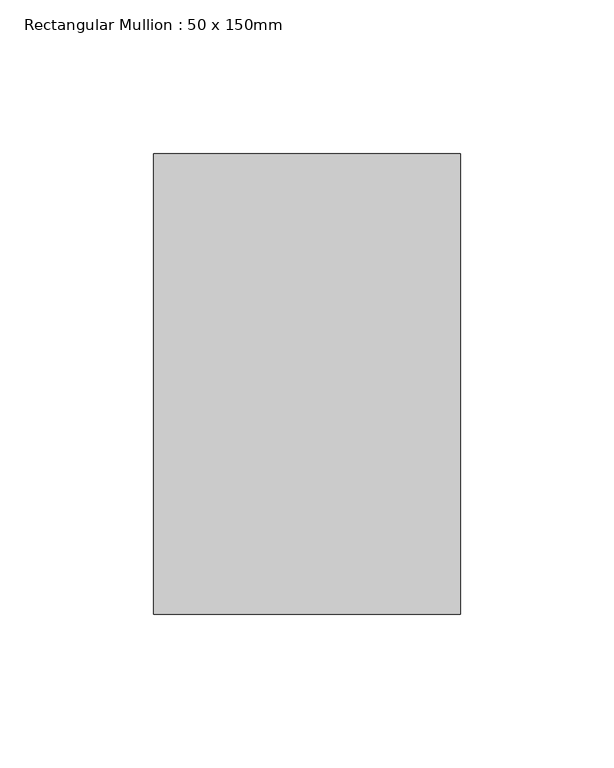
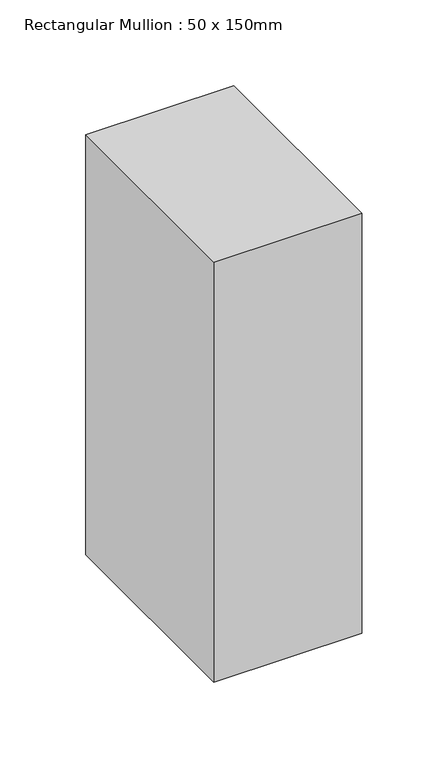
"""IFC4 building model written with IfcOpenShell, lengths in millimetres: member geometry, Rectangular Mullion : 50 x 150mm."""

from ifc_helpers import new_model, si_unit, frame, origin, place, context, project, spatial, polyline, outline, extrude, source, transform, mapped, element, save


def rectangular_mullion_50_x_150mm_0cc1a271(model_context):
    return source(origin(), model_context, "Body", "SweptSolid", [
        extrude(outline(polyline([(50.0, 75.0), (50.0, -75.0), (-50.0, -75.0), (-50.0, 75.0), (50.0, 75.0)])), frame((0.0, 0.0, -300.0), z_axis=(0.0, 0.0, 1.0), x_axis=(1.0, 0.0, 0.0)), (0.0, 0.0, 1.0), 300.0),
    ])


if __name__ == "__main__":
    model = new_model("IFC4")
    model_context = context("Model", 3, world=origin())
    ifc_project = project(units=[si_unit("LENGTHUNIT", "METRE", prefix="MILLI")], contexts=[model_context])
    site = spatial("IfcSite", under=ifc_project)
    building = spatial("IfcBuilding", under=site)
    placement = place(None, origin())
    rectangular_mullion_50_x_150mm_shape = rectangular_mullion_50_x_150mm_0cc1a271(model_context)
    element("IfcMember", 1, ObjectType="Rectangular Mullion : 50 x 150mm", at=placement, inside=building, context=model_context, shape_type="MappedRepresentation", body=[
        mapped(rectangular_mullion_50_x_150mm_shape, transform((0.0, 0.0, 0.0), x_axis=(1.0, 0.0, 0.0), y_axis=(0.0, 1.0, 0.0), z_axis=(0.0, 0.0, 1.0))),
    ])
    save(model, "model.ifc")
